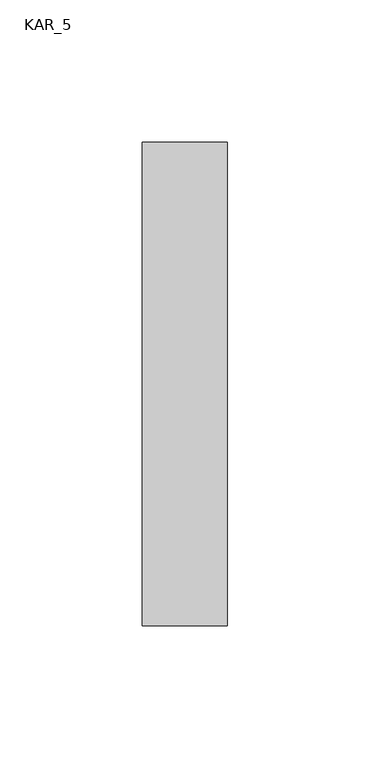
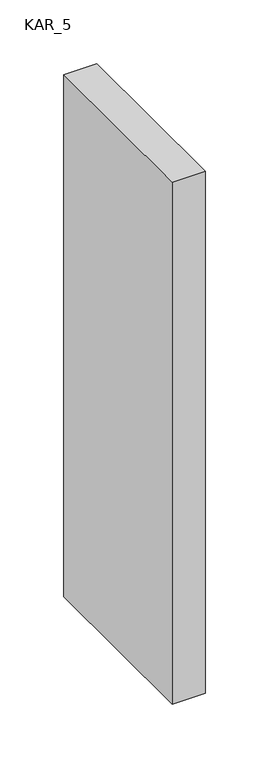
"""IFC4 building model written with IfcOpenShell, lengths in millimetres: proxy geometry, KAR_5."""

from ifc_helpers import new_model, si_unit, frame, origin, place, context, project, spatial, polyline, outline, extrude, source, transform, mapped, element, save


def kar_5_6809c163(model_context):
    return source(origin(), model_context, "Body", "SweptSolid", [
        extrude(outline(polyline([(30.0, 170.0), (30.0, 0.0), (0.0, 0.0), (0.0, 170.0), (30.0, 170.0)])), frame((0.0, 0.0, 1000.0), z_axis=(0.0, 0.0, 1.0), x_axis=(1.0, 0.0, 0.0)), (0.0, 0.0, 1.0), 500.0),
    ])


if __name__ == "__main__":
    model = new_model("IFC4")
    model_context = context("Model", 3, world=origin())
    ifc_project = project(units=[si_unit("LENGTHUNIT", "METRE", prefix="MILLI")], contexts=[model_context])
    site = spatial("IfcSite", under=ifc_project)
    building = spatial("IfcBuilding", under=site)
    placement = place(None, origin())
    kar_5_shape = kar_5_6809c163(model_context)
    element("IfcBuildingElementProxy", 1, Name="KAR_5", ObjectType="KAR_5", at=placement, inside=building, context=model_context, shape_type="MappedRepresentation", body=[
        mapped(kar_5_shape, transform((0.0, 0.0, 0.0), x_axis=(1.0, 0.0, 0.0), y_axis=(0.0, 1.0, 0.0), z_axis=(0.0, 0.0, 1.0))),
    ])
    save(model, "model.ifc")
